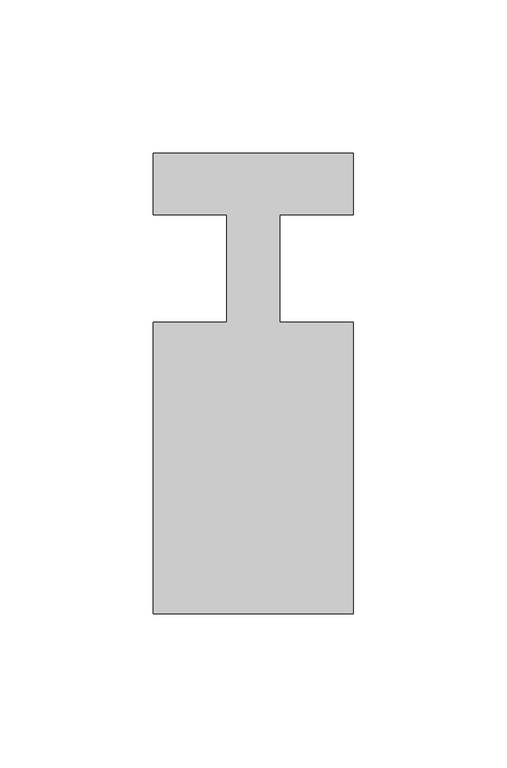
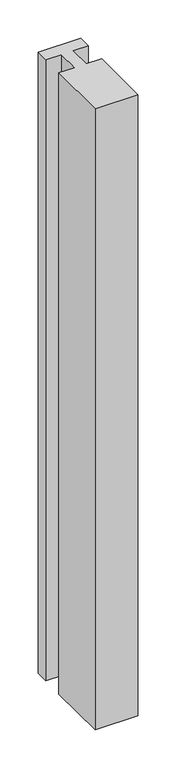
"""IFC4 building model written with IfcOpenShell, lengths in millimetres: member geometry."""

from ifc_helpers import new_model, si_unit, frame, origin, place, context, project, spatial, polyline, outline, extrude, source, transform, mapped, element, save


def member_7815e736(model_context):
    return source(origin(), model_context, "Body", "SweptSolid", [
        extrude(outline(polyline([(0.0, 37.0), (0.0, 17.0), (-23.8125, 17.0), (-23.8125, -18.0), (0.0, -18.0), (0.0, -113.0), (-65.0, -113.0), (-65.0, -18.0), (-41.1875, -18.0), (-41.1875, 17.0), (-65.0, 17.0), (-65.0, 37.0), (0.0, 37.0)])), frame((0.0, 0.0, -997.5), z_axis=(0.0, 0.0, 1.0), x_axis=(1.0, 0.0, 0.0)), (0.0, 0.0, 1.0), 997.5),
    ])


if __name__ == "__main__":
    model = new_model("IFC4")
    model_context = context("Model", 3, world=origin())
    ifc_project = project(units=[si_unit("LENGTHUNIT", "METRE", prefix="MILLI")], contexts=[model_context])
    site = spatial("IfcSite", under=ifc_project)
    building = spatial("IfcBuilding", under=site)
    placement = place(None, origin())
    member_shape = member_7815e736(model_context)
    element("IfcMember", 1, at=placement, inside=building, context=model_context, shape_type="MappedRepresentation", body=[
        mapped(member_shape, transform((0.0, 0.0, 0.0), x_axis=(1.0, 0.0, 0.0), y_axis=(0.0, 1.0, 0.0), z_axis=(0.0, 0.0, 1.0))),
    ])
    save(model, "model.ifc")
